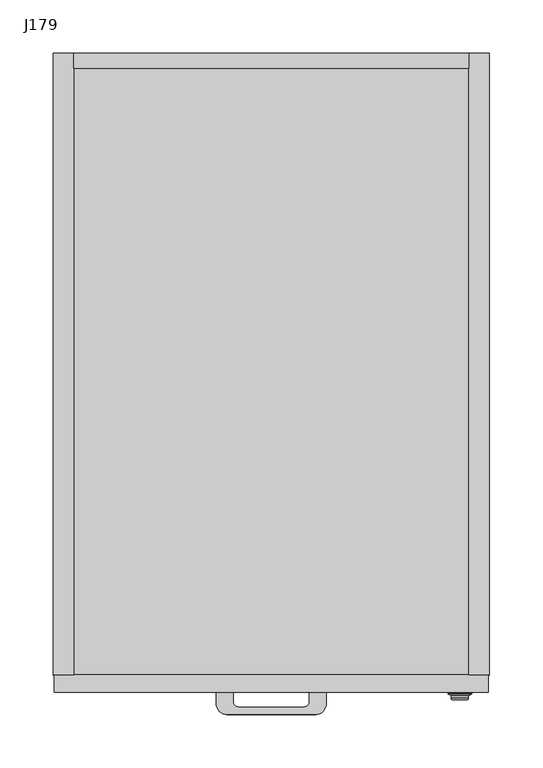
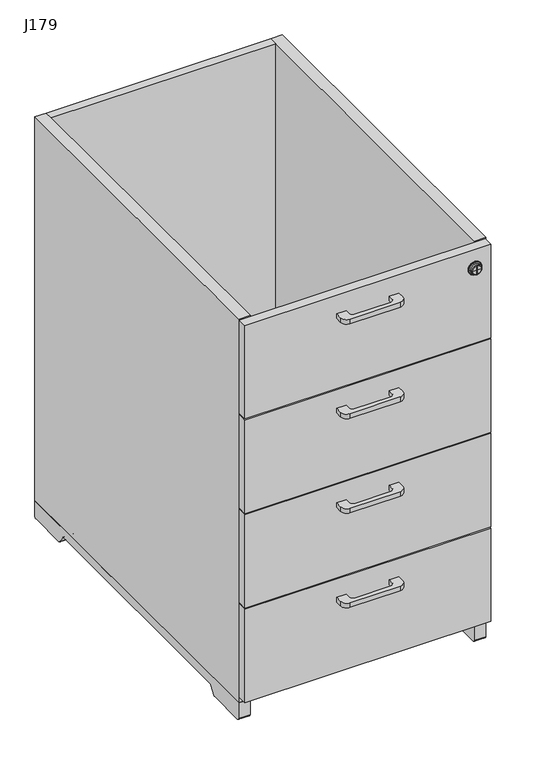
"""IFC4 building model written with IfcOpenShell, lengths in millimetres: furniture geometry, J179."""

from ifc_helpers import new_model, si_unit, point, frame, frame_2d, origin, place, context, project, spatial, polyline, circle_curve, ellipse_curve, trimmed, segment, composite_curve, outline, extrude, source, transform, mapped, element, save
from ifc_brep_helpers import plane_surface, cylinder_surface, revolved_surface, advanced_brep


def j179_3f615de8(model_context):
    return source(origin(), model_context, "Body", "SolidModel", [
        extrude(outline(composite_curve([segment(polyline([(-35.5, -300.0), (-35.5, -309.0)]), True, "CONTINUOUS"), segment(trimmed(circle_curve(frame_2d((-30.5, -309.0)), 5.0), [point((-35.5, -309.0))], [point((-30.5, -314.0))], True, "CARTESIAN"), True, "CONTINUOUS"), segment(polyline([(-30.5, -314.0), (30.5, -314.0)]), True, "CONTINUOUS"), segment(trimmed(circle_curve(frame_2d((30.5, -309.0)), 5.0), [point((30.5, -314.0))], [point((35.5, -309.0))], True, "CARTESIAN"), True, "CONTINUOUS"), segment(polyline([(35.5, -309.0), (35.5, -300.0), (51.5, -300.0), (51.5, -311.0)]), True, "CONTINUOUS"), segment(trimmed(circle_curve(frame_2d((41.5, -311.0)), 10.0), [point((51.5, -311.0))], [point((41.5, -321.0))], False, "CARTESIAN"), True, "CONTINUOUS"), segment(polyline([(41.5, -321.0), (-41.5, -321.0)]), True, "CONTINUOUS"), segment(trimmed(circle_curve(frame_2d((-41.5, -311.0)), 10.0), [point((-41.5, -321.0))], [point((-51.5, -311.0))], False, "CARTESIAN"), True, "CONTINUOUS"), segment(polyline([(-51.5, -311.0), (-51.5, -300.0), (-35.5, -300.0)]), True, "CONTINUOUS")], self_intersect=False)), frame((0.0, 0.0, 162.5), z_axis=(0.0, 0.0, 1.0), x_axis=(1.0, 0.0, 0.0)), (0.0, 0.0, 1.0), 8.0),
        extrude(outline(composite_curve([segment(polyline([(-35.5, -300.0), (-35.5, -309.0)]), True, "CONTINUOUS"), segment(trimmed(circle_curve(frame_2d((-30.5, -309.0)), 5.0), [point((-35.5, -309.0))], [point((-30.5, -314.0))], True, "CARTESIAN"), True, "CONTINUOUS"), segment(polyline([(-30.5, -314.0), (30.5, -314.0)]), True, "CONTINUOUS"), segment(trimmed(circle_curve(frame_2d((30.5, -309.0)), 5.0), [point((30.5, -314.0))], [point((35.5, -309.0))], True, "CARTESIAN"), True, "CONTINUOUS"), segment(polyline([(35.5, -309.0), (35.5, -300.0), (51.5, -300.0), (51.5, -311.0)]), True, "CONTINUOUS"), segment(trimmed(circle_curve(frame_2d((41.5, -311.0)), 10.0), [point((51.5, -311.0))], [point((41.5, -321.0))], False, "CARTESIAN"), True, "CONTINUOUS"), segment(polyline([(41.5, -321.0), (-41.5, -321.0)]), True, "CONTINUOUS"), segment(trimmed(circle_curve(frame_2d((-41.5, -311.0)), 10.0), [point((-41.5, -321.0))], [point((-51.5, -311.0))], False, "CARTESIAN"), True, "CONTINUOUS"), segment(polyline([(-51.5, -311.0), (-51.5, -300.0), (-35.5, -300.0)]), True, "CONTINUOUS")], self_intersect=False)), frame((0.0, 0.0, 327.5), z_axis=(0.0, 0.0, 1.0), x_axis=(1.0, 0.0, 0.0)), (0.0, 0.0, 1.0), 8.0),
        extrude(outline(composite_curve([segment(polyline([(-35.5, -300.0), (-35.5, -309.0)]), True, "CONTINUOUS"), segment(trimmed(circle_curve(frame_2d((-30.5, -309.0)), 5.0), [point((-35.5, -309.0))], [point((-30.5, -314.0))], True, "CARTESIAN"), True, "CONTINUOUS"), segment(polyline([(-30.5, -314.0), (30.5, -314.0)]), True, "CONTINUOUS"), segment(trimmed(circle_curve(frame_2d((30.5, -309.0)), 5.0), [point((30.5, -314.0))], [point((35.5, -309.0))], True, "CARTESIAN"), True, "CONTINUOUS"), segment(polyline([(35.5, -309.0), (35.5, -300.0), (51.5, -300.0), (51.5, -311.0)]), True, "CONTINUOUS"), segment(trimmed(circle_curve(frame_2d((41.5, -311.0)), 10.0), [point((51.5, -311.0))], [point((41.5, -321.0))], False, "CARTESIAN"), True, "CONTINUOUS"), segment(polyline([(41.5, -321.0), (-41.5, -321.0)]), True, "CONTINUOUS"), segment(trimmed(circle_curve(frame_2d((-41.5, -311.0)), 10.0), [point((-41.5, -321.0))], [point((-51.5, -311.0))], False, "CARTESIAN"), True, "CONTINUOUS"), segment(polyline([(-51.5, -311.0), (-51.5, -300.0), (-35.5, -300.0)]), True, "CONTINUOUS")], self_intersect=False)), frame((0.0, 0.0, 492.5), z_axis=(0.0, 0.0, 1.0), x_axis=(1.0, 0.0, 0.0)), (0.0, 0.0, 1.0), 8.0),
        extrude(outline(composite_curve([segment(polyline([(-35.5, -300.0), (-35.5, -309.0)]), True, "CONTINUOUS"), segment(trimmed(circle_curve(frame_2d((-30.5, -309.0)), 5.0), [point((-35.5, -309.0))], [point((-30.5, -314.0))], True, "CARTESIAN"), True, "CONTINUOUS"), segment(polyline([(-30.5, -314.0), (30.5, -314.0)]), True, "CONTINUOUS"), segment(trimmed(circle_curve(frame_2d((30.5, -309.0)), 5.0), [point((30.5, -314.0))], [point((35.5, -309.0))], True, "CARTESIAN"), True, "CONTINUOUS"), segment(polyline([(35.5, -309.0), (35.5, -300.0), (51.5, -300.0), (51.5, -311.0)]), True, "CONTINUOUS"), segment(trimmed(circle_curve(frame_2d((41.5, -311.0)), 10.0), [point((51.5, -311.0))], [point((41.5, -321.0))], False, "CARTESIAN"), True, "CONTINUOUS"), segment(polyline([(41.5, -321.0), (-41.5, -321.0)]), True, "CONTINUOUS"), segment(trimmed(circle_curve(frame_2d((-41.5, -311.0)), 10.0), [point((-41.5, -321.0))], [point((-51.5, -311.0))], False, "CARTESIAN"), True, "CONTINUOUS"), segment(polyline([(-51.5, -311.0), (-51.5, -300.0), (-35.5, -300.0)]), True, "CONTINUOUS")], self_intersect=False)), frame((0.0, 0.0, 657.5), z_axis=(0.0, 0.0, 1.0), x_axis=(1.0, 0.0, 0.0)), (0.0, 0.0, 1.0), 8.0),
        advanced_brep(
        [(176.5, -300.0, 666.0), (187.5, -300.0, 666.0), (165.5, -300.0, 666.0), (169.5, -307.0, 666.0), (183.5, -307.0, 666.0), (178.0, -307.0, 666.0), (178.0, -307.0, 659.5), (175.0, -307.0, 659.5), (175.0, -307.0, 666.0), (175.0, -307.0, 672.5), (178.0, -307.0, 672.5), (168.5, -306.0, 666.0), (184.5, -306.0, 666.0), (168.5, -302.0, 666.0), (184.5, -302.0, 666.0), (167.5, -302.0, 666.0), (185.5, -302.0, 666.0), (167.5, -303.0, 666.0), (185.5, -303.0, 666.0), (166.0527864, -302.2763932, 666.0), (186.9472136, -302.2763932, 666.0), (165.5, -301.381966, 666.0), (187.5, -301.381966, 666.0), (178.0, -303.0, 672.5), (175.0, -303.0, 672.5), (175.0, -303.0, 659.5), (178.0, -303.0, 659.5)],
        [
            (0, 1),
            (1, 2, circle_curve(frame((176.5, -300.0, 666.0), z_axis=(0.0, 1.0, 0.0), x_axis=(1.0, 0.0, 0.0)), 11.0)),
            (2, 0),
            (2, 1, circle_curve(frame((176.5, -300.0, 666.0), z_axis=(0.0, 1.0, 0.0), x_axis=(1.0, 0.0, 0.0)), 11.0)),
            (3, 4, circle_curve(frame((176.5, -307.0, 666.0), z_axis=(0.0, -1.0, 0.0), x_axis=(1.0, 0.0, 0.0)), 7.0)),
            (4, 5),
            (5, 6),
            (6, 7),
            (7, 8),
            (8, 3),
            (4, 3, circle_curve(frame((176.5, -307.0, 666.0), z_axis=(0.0, -1.0, 0.0), x_axis=(1.0, 0.0, 0.0)), 7.0)),
            (8, 9),
            (9, 10),
            (10, 5),
            (3, 11, circle_curve(frame((169.5, -306.0, 666.0), z_axis=(0.0, 0.0, -1.0), x_axis=(-1.0, 0.0, 0.0)), 1.0)),
            (11, 12, circle_curve(frame((176.5, -306.0, 666.0), z_axis=(0.0, -1.0, 0.0), x_axis=(1.0, 0.0, 0.0)), 8.0)),
            (12, 4, circle_curve(frame((183.5, -306.0, 666.0), z_axis=(0.0, 0.0, -1.0), x_axis=(1.0, 0.0, 0.0)), 1.0)),
            (12, 11, circle_curve(frame((176.5, -306.0, 666.0), z_axis=(0.0, -1.0, 0.0), x_axis=(1.0, 0.0, 0.0)), 8.0)),
            (11, 13),
            (13, 14, circle_curve(frame((176.5, -302.0, 666.0), z_axis=(0.0, -1.0, 0.0), x_axis=(1.0, 0.0, 0.0)), 8.0)),
            (14, 12),
            (14, 13, circle_curve(frame((176.5, -302.0, 666.0), z_axis=(0.0, -1.0, 0.0), x_axis=(1.0, 0.0, 0.0)), 8.0)),
            (13, 15),
            (15, 16, circle_curve(frame((176.5, -302.0, 666.0), z_axis=(0.0, -1.0, 0.0), x_axis=(1.0, 0.0, 0.0)), 9.0)),
            (16, 14),
            (16, 15, circle_curve(frame((176.5, -302.0, 666.0), z_axis=(0.0, -1.0, 0.0), x_axis=(1.0, 0.0, 0.0)), 9.0)),
            (15, 17),
            (17, 18, circle_curve(frame((176.5, -303.0, 666.0), z_axis=(0.0, -1.0, 0.0), x_axis=(1.0, 0.0, 0.0)), 9.0)),
            (18, 16),
            (18, 17, circle_curve(frame((176.5, -303.0, 666.0), z_axis=(0.0, -1.0, 0.0), x_axis=(1.0, 0.0, 0.0)), 9.0)),
            (17, 19),
            (19, 20, circle_curve(frame((176.5, -302.2763932, 666.0), z_axis=(0.0, -1.0, 0.0), x_axis=(1.0, 0.0, 0.0)), 10.4472136)),
            (20, 18),
            (20, 19, circle_curve(frame((176.5, -302.2763932, 666.0), z_axis=(0.0, -1.0, 0.0), x_axis=(1.0, 0.0, 0.0)), 10.4472136)),
            (19, 21, circle_curve(frame((166.5, -301.381966, 666.0), z_axis=(0.0, 0.0, -1.0), x_axis=(-1.0, 0.0, 0.0)), 1.0)),
            (21, 22, circle_curve(frame((176.5, -301.381966, 666.0), z_axis=(0.0, -1.0, 0.0), x_axis=(1.0, 0.0, 0.0)), 11.0)),
            (22, 20, circle_curve(frame((186.5, -301.381966, 666.0), z_axis=(0.0, 0.0, -1.0), x_axis=(1.0, 0.0, 0.0)), 1.0)),
            (22, 21, circle_curve(frame((176.5, -301.381966, 666.0), z_axis=(0.0, -1.0, 0.0), x_axis=(1.0, 0.0, 0.0)), 11.0)),
            (1, 22),
            (21, 2),
            (23, 24),
            (24, 25),
            (25, 26),
            (26, 23),
            (23, 10),
            (9, 24),
            (7, 25),
            (6, 26),
        ],
        [
            plane_surface(frame((176.5, -300.0, 666.0), z_axis=(0.0, 1.0, 0.0), x_axis=(1.0, 0.0, 0.0))),
            plane_surface(frame((176.5, -307.0, 666.0), z_axis=(0.0, -1.0, 0.0), x_axis=(1.0, 0.0, 0.0))),
            revolved_surface(trimmed(ellipse_curve(frame((183.5, -306.0, 666.0), z_axis=(0.0, 0.0, 1.0), x_axis=(1.0, 0.0, 0.0)), 1.0, 1.0), [point((183.5, -307.0, 666.0))], [point((184.5, -306.0, 666.0))], True, "CARTESIAN"), (176.5, 1182.5791904, 666.0), (0.0, 1.0, 0.0)),
            cylinder_surface(frame((176.5, 1182.5791904, 666.0), z_axis=(0.0, 1.0, 0.0), x_axis=(1.0, 0.0, 0.0)), 8.0),
            plane_surface(frame((176.5, -302.0, 666.0), z_axis=(0.0, -1.0, 0.0), x_axis=(1.0, 0.0, 0.0))),
            revolved_surface(polyline([(185.5, -302.0, 666.0), (185.5, -303.0, 666.0)]), (176.5, 1182.5791904, 666.0), (0.0, 1.0, 0.0)),
            revolved_surface(polyline([(185.5, -303.0, 666.0), (186.9472136, -302.2763932, 666.0)]), (176.5, 1182.5791904, 666.0), (0.0, 1.0, 0.0)),
            revolved_surface(trimmed(ellipse_curve(frame((186.5, -301.381966, 666.0), z_axis=(0.0, 0.0, 1.0), x_axis=(1.0, 0.0, 0.0)), 1.0, 1.0), [point((186.9472136, -302.2763932, 666.0))], [point((187.5, -301.381966, 666.0))], True, "CARTESIAN"), (176.5, 1182.5791904, 666.0), (0.0, 1.0, 0.0)),
            cylinder_surface(frame((176.5, 1182.5791904, 666.0), z_axis=(0.0, 1.0, 0.0), x_axis=(1.0, 0.0, 0.0)), 11.0),
            plane_surface(frame((175.0, -303.0, 672.5), z_axis=(0.0, -1.0, 0.0), x_axis=(1.0, 0.0, 0.0))),
            plane_surface(frame((178.0, -307.0, 672.5), z_axis=(0.0, 0.0, -1.0), x_axis=(0.0, 1.0, 0.0))),
            plane_surface(frame((175.0, -307.0, 672.5), z_axis=(1.0, 0.0, 0.0), x_axis=(0.0, 1.0, 0.0))),
            plane_surface(frame((175.0, -307.0, 659.5), z_axis=(0.0, 0.0, 1.0), x_axis=(0.0, 1.0, 0.0))),
            plane_surface(frame((178.0, -307.0, 659.5), z_axis=(-1.0, 0.0, 0.0), x_axis=(0.0, 1.0, 0.0))),
        ],
        [
            (0, [[1, 2, 3]]),
            (0, [[-1, -3, 4]]),
            (1, [[5, 6, 7, 8, 9, 10]]),
            (1, [[11, -10, 12, 13, 14, -6]]),
            (2, [[-5, 15, 16, 17]]),
            (2, [[-11, -17, 18, -15]]),
            (3, [[-16, 19, 20, 21]]),
            (3, [[-18, -21, 22, -19]]),
            (4, [[-20, 23, 24, 25]]),
            (4, [[-22, -25, 26, -23]]),
            (5, [[-24, 27, 28, 29]]),
            (5, [[-26, -29, 30, -27]]),
            (6, [[-28, 31, 32, 33]]),
            (6, [[-30, -33, 34, -31]]),
            (7, [[-32, 35, 36, 37]]),
            (7, [[-34, -37, 38, -35]]),
            (8, [[-2, 39, -36, 40]]),
            (8, [[-4, -40, -38, -39]]),
            (9, [[41, 42, 43, 44]]),
            (10, [[-41, 45, -13, 46]]),
            (11, [[-42, -46, -12, -9, 47]]),
            (12, [[-43, -47, -8, 48]]),
            (13, [[-44, -48, -7, -14, -45]]),
        ],
    ),
        extrude(outline(composite_curve([segment(trimmed(circle_curve(frame_2d((295.0, 3.0)), 3.0), [point((298.0, 3.0))], [point((295.0, 0.0))], False, "CARTESIAN"), True, "CONTINUOUS"), segment(polyline([(295.0, 0.0), (229.6055513, 0.0)]), True, "CONTINUOUS"), segment(trimmed(circle_curve(frame_2d((229.6055513, 3.0)), 3.0), [point((229.6055513, 0.0))], [point((227.1094004, 1.3358994))], False, "CARTESIAN"), True, "CONTINUOUS"), segment(polyline([(227.1094004, 1.3358994), (218.8905996, 13.6641006)]), True, "CONTINUOUS"), segment(trimmed(circle_curve(frame_2d((216.3944487, 12.0)), 3.0), [point((218.8905996, 13.6641006))], [point((216.3944487, 15.0))], True, "CARTESIAN"), True, "CONTINUOUS"), segment(polyline([(216.3944487, 15.0), (-202.3944487, 15.0)]), True, "CONTINUOUS"), segment(trimmed(circle_curve(frame_2d((-202.3944487, 12.0)), 3.0), [point((-202.3944487, 15.0))], [point((-204.8905996, 13.6641006))], True, "CARTESIAN"), True, "CONTINUOUS"), segment(polyline([(-204.8905996, 13.6641006), (-213.1094004, 1.3358994)]), True, "CONTINUOUS"), segment(trimmed(circle_curve(frame_2d((-215.6055513, 3.0)), 3.0), [point((-213.1094004, 1.3358994))], [point((-215.6055513, 0.0))], False, "CARTESIAN"), True, "CONTINUOUS"), segment(polyline([(-215.6055513, 0.0), (-281.0, 0.0)]), True, "CONTINUOUS"), segment(trimmed(circle_curve(frame_2d((-281.0, 3.0)), 3.0), [point((-281.0, 0.0))], [point((-284.0, 3.0))], False, "CARTESIAN"), True, "CONTINUOUS"), segment(polyline([(-284.0, 3.0), (-284.0, 30.0), (298.0, 30.0), (298.0, 3.0)]), True, "CONTINUOUS")], self_intersect=False)), frame((-204.0, 0.0, 0.0), z_axis=(1.0, 0.0, 0.0), x_axis=(0.0, 1.0, 0.0)), (0.0, 0.0, 1.0), 19.0),
        extrude(outline(composite_curve([segment(polyline([(298.0, 30.0), (298.0, 3.0)]), True, "CONTINUOUS"), segment(trimmed(circle_curve(frame_2d((295.0, 3.0)), 3.0), [point((298.0, 3.0))], [point((295.0, 0.0))], False, "CARTESIAN"), True, "CONTINUOUS"), segment(polyline([(295.0, 0.0), (229.6055513, 0.0)]), True, "CONTINUOUS"), segment(trimmed(circle_curve(frame_2d((229.6055513, 3.0)), 3.0), [point((229.6055513, 0.0))], [point((227.1094004, 1.3358994))], False, "CARTESIAN"), True, "CONTINUOUS"), segment(polyline([(227.1094004, 1.3358994), (218.8905996, 13.6641006)]), True, "CONTINUOUS"), segment(trimmed(circle_curve(frame_2d((216.3944487, 12.0)), 3.0), [point((218.8905996, 13.6641006))], [point((216.3944487, 15.0))], True, "CARTESIAN"), True, "CONTINUOUS"), segment(polyline([(216.3944487, 15.0), (-202.3944487, 15.0)]), True, "CONTINUOUS"), segment(trimmed(circle_curve(frame_2d((-202.3944487, 12.0)), 3.0), [point((-202.3944487, 15.0))], [point((-204.8905996, 13.6641006))], True, "CARTESIAN"), True, "CONTINUOUS"), segment(polyline([(-204.8905996, 13.6641006), (-213.1094004, 1.3358994)]), True, "CONTINUOUS"), segment(trimmed(circle_curve(frame_2d((-215.6055513, 3.0)), 3.0), [point((-213.1094004, 1.3358994))], [point((-215.6055513, 0.0))], False, "CARTESIAN"), True, "CONTINUOUS"), segment(polyline([(-215.6055513, 0.0), (-281.0, 0.0)]), True, "CONTINUOUS"), segment(trimmed(circle_curve(frame_2d((-281.0, 3.0)), 3.0), [point((-281.0, 0.0))], [point((-284.0, 3.0))], False, "CARTESIAN"), True, "CONTINUOUS"), segment(polyline([(-284.0, 3.0), (-284.0, 30.0), (298.0, 30.0)]), True, "CONTINUOUS")], self_intersect=False)), frame((185.0, 0.0, 0.0), z_axis=(1.0, 0.0, 0.0), x_axis=(0.0, 1.0, 0.0)), (0.0, 0.0, 1.0), 19.0),
        extrude(outline(polyline([(185.0, 284.0), (185.0, -284.0), (-185.0, -284.0), (-185.0, 284.0), (185.0, 284.0)])), frame((0.0, 0.0, 30.0), z_axis=(0.0, 0.0, 1.0), x_axis=(1.0, 0.0, 0.0)), (0.0, 0.0, 1.0), 14.0),
        extrude(outline(polyline([(185.0, 298.0), (185.0, 284.0), (-185.0, 284.0), (-185.0, 298.0), (185.0, 298.0)])), frame((0.0, 0.0, 30.0), z_axis=(0.0, 0.0, 1.0), x_axis=(1.0, 0.0, 0.0)), (0.0, 0.0, 1.0), 670.0),
        extrude(outline(polyline([(203.0, -300.0), (-203.0, -300.0), (-203.0, -284.0), (203.0, -284.0), (203.0, -300.0)])), frame((0.0, 0.0, 40.0), z_axis=(0.0, 0.0, 1.0), x_axis=(1.0, 0.0, 0.0)), (0.0, 0.0, 1.0), 162.5),
        extrude(outline(polyline([(203.0, -300.0), (-203.0, -300.0), (-203.0, -284.0), (203.0, -284.0), (203.0, -300.0)])), frame((0.0, 0.0, 205.0), z_axis=(0.0, 0.0, 1.0), x_axis=(1.0, 0.0, 0.0)), (0.0, 0.0, 1.0), 162.5),
        extrude(outline(polyline([(203.0, -300.0), (-203.0, -300.0), (-203.0, -284.0), (203.0, -284.0), (203.0, -300.0)])), frame((0.0, 0.0, 370.0), z_axis=(0.0, 0.0, 1.0), x_axis=(1.0, 0.0, 0.0)), (0.0, 0.0, 1.0), 162.5),
        extrude(outline(polyline([(203.0, -300.0), (-203.0, -300.0), (-203.0, -284.0), (203.0, -284.0), (203.0, -300.0)])), frame((0.0, 0.0, 535.0), z_axis=(0.0, 0.0, 1.0), x_axis=(1.0, 0.0, 0.0)), (0.0, 0.0, 1.0), 162.5),
        extrude(outline(polyline([(-185.0, 298.0), (-185.0, -284.0), (-204.0, -284.0), (-204.0, 298.0), (-185.0, 298.0)])), frame((0.0, 0.0, 30.0), z_axis=(0.0, 0.0, 1.0), x_axis=(1.0, 0.0, 0.0)), (0.0, 0.0, 1.0), 670.0),
        extrude(outline(polyline([(185.0, 298.0), (204.0, 298.0), (204.0, -284.0), (185.0, -284.0), (185.0, 298.0)])), frame((0.0, 0.0, 30.0), z_axis=(0.0, 0.0, 1.0), x_axis=(1.0, 0.0, 0.0)), (0.0, 0.0, 1.0), 670.0),
    ])


if __name__ == "__main__":
    model = new_model("IFC4")
    model_context = context("Model", 3, world=origin())
    ifc_project = project(units=[si_unit("LENGTHUNIT", "METRE", prefix="MILLI")], contexts=[model_context])
    site = spatial("IfcSite", under=ifc_project)
    building = spatial("IfcBuilding", under=site)
    placement = place(None, origin())
    j179_shape = j179_3f615de8(model_context)
    element("IfcFurniture", 1, ObjectType="J179", at=placement, inside=building, context=model_context, shape_type="MappedRepresentation", body=[
        mapped(j179_shape, transform((0.0, 0.0, 0.0), x_axis=(1.0, 0.0, 0.0), y_axis=(0.0, 1.0, 0.0), z_axis=(0.0, 0.0, 1.0))),
    ])
    save(model, "model.ifc")
